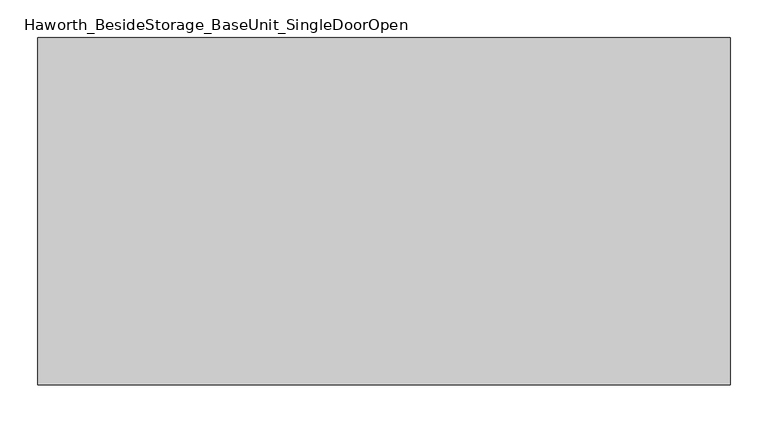
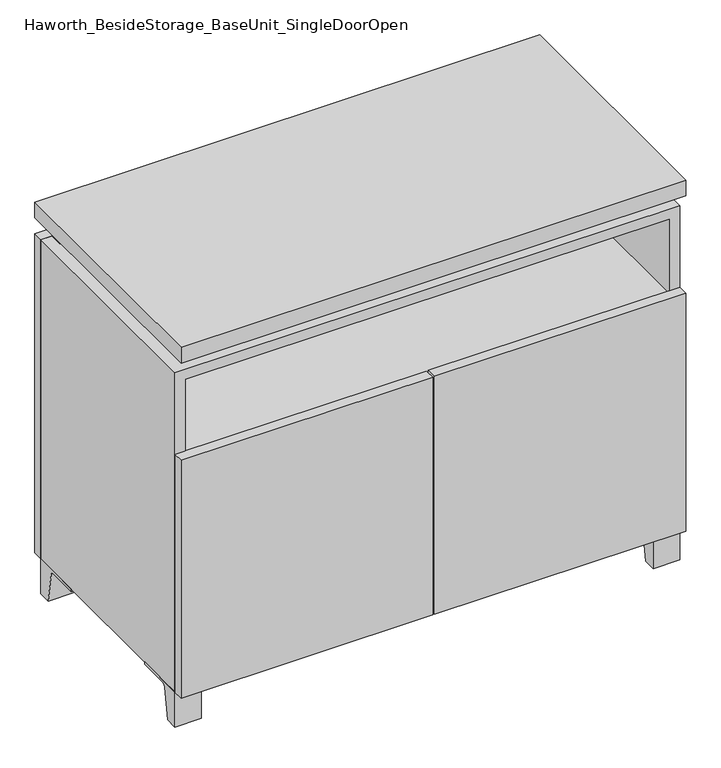
"""IFC4 building model written with IfcOpenShell, lengths in millimetres: furniture geometry, Haworth_BesideStorage_BaseUnit_SingleDoorOpen."""

from ifc_helpers import new_model, si_unit, point, frame, frame_2d, origin, place, context, project, spatial, polyline, circle_curve, trimmed, segment, composite_curve, outline, extrude, faceted_brep, source, transform, mapped, element, save


def haworth_besidestorage_baseunit_singledooropen_90ec385a(model_context):
    return source(origin(), model_context, "Body", "SolidModel", [
        extrude(outline(composite_curve([segment(polyline([(-123.2958469, 0.0), (-146.05, 0.0), (-146.05, 66.675), (-50.8, 66.675), (-50.8, 61.8963321), (-107.6005345, 61.8963321)]), True, "CONTINUOUS"), segment(trimmed(circle_curve(frame_2d((-107.6005345, 55.5463321)), 6.35), [point((-107.6005345, 61.8963321))], [point((-113.8641359, 56.5902656))], True, "CARTESIAN"), True, "CONTINUOUS"), segment(polyline([(-113.8641359, 56.5902656), (-123.2958469, 0.0)]), True, "CONTINUOUS")], self_intersect=False)), frame((408.0013906, 0.0, 0.0), z_axis=(1.0, 0.0, 0.0), x_axis=(0.0, 1.0, 0.0)), (0.0, 0.0, 1.0), 47.625),
        extrude(outline(composite_curve([segment(polyline([(250.2958469, 0.0), (240.8641359, 56.5902656)]), True, "CONTINUOUS"), segment(trimmed(circle_curve(frame_2d((234.6005345, 55.5463321)), 6.35), [point((240.8641359, 56.5902656))], [point((234.6005345, 61.8963321))], True, "CARTESIAN"), True, "CONTINUOUS"), segment(polyline([(234.6005345, 61.8963321), (177.8, 61.8963321), (177.8, 66.675), (273.05, 66.675), (273.05, 0.0), (250.2958469, 0.0)]), True, "CONTINUOUS")], self_intersect=False)), frame((408.0013906, 0.0, 0.0), z_axis=(1.0, 0.0, 0.0), x_axis=(0.0, 1.0, 0.0)), (0.0, 0.0, 1.0), 47.625),
        extrude(outline(composite_curve([segment(polyline([(-123.2958469, 0.0), (-146.05, 0.0), (-146.05, 66.675), (-50.8, 66.675), (-50.8, 61.8963321), (-107.6005345, 61.8963321)]), True, "CONTINUOUS"), segment(trimmed(circle_curve(frame_2d((-107.6005345, 55.5463321)), 6.35), [point((-107.6005345, 61.8963321))], [point((-113.8641359, 56.5902656))], True, "CARTESIAN"), True, "CONTINUOUS"), segment(polyline([(-113.8641359, 56.5902656), (-123.2958469, 0.0)]), True, "CONTINUOUS")], self_intersect=False)), frame((-455.5986094, 0.0, 0.0), z_axis=(1.0, 0.0, 0.0), x_axis=(0.0, 1.0, 0.0)), (0.0, 0.0, 1.0), 47.625),
        extrude(outline(composite_curve([segment(polyline([(250.2958469, 0.0), (240.8641359, 56.5902656)]), True, "CONTINUOUS"), segment(trimmed(circle_curve(frame_2d((234.6005345, 55.5463321)), 6.35), [point((240.8641359, 56.5902656))], [point((234.6005345, 61.8963321))], True, "CARTESIAN"), True, "CONTINUOUS"), segment(polyline([(234.6005345, 61.8963321), (177.8, 61.8963321), (177.8, 66.675), (273.05, 66.675), (273.05, 0.0), (250.2958469, 0.0)]), True, "CONTINUOUS")], self_intersect=False)), frame((-455.5986094, 0.0, 0.0), z_axis=(1.0, 0.0, 0.0), x_axis=(0.0, 1.0, 0.0)), (0.0, 0.0, 1.0), 47.625),
        faceted_brep([(-455.5986094, -146.05, 66.675), (455.6125, -146.05, 66.675), (455.6125, -146.05, 676.275), (-455.5986094, -146.05, 676.275), (-436.5486094, -146.05, 85.725), (-436.5486094, -146.05, 657.225), (436.5694453, -146.05, 657.225), (436.5486094, -146.05, 85.725), (-455.5986094, 273.05, 66.675), (-455.5986094, 273.05, 676.275), (-436.5486094, 273.05, 676.275), (-436.5486094, 273.05, 85.725), (436.5486094, 273.05, 85.725), (436.5486094, 273.05, 676.275), (455.6125, 273.05, 676.275), (455.6125, 273.05, 66.675), (436.5486094, 247.65, 676.275), (-436.5416641, 247.65, 676.275), (-436.5486094, 247.65, 657.225), (436.5486094, 247.65, 657.225)], [[[0, 1, 2, 3], [4, 5, 6, 7]], [[8, 9, 10, 11, 12, 13, 14, 15]], [[1, 0, 8, 15]], [[2, 1, 15, 14]], [[3, 2, 14, 13, 16, 17, 10, 9]], [[0, 3, 9, 8]], [[11, 10, 17, 18, 5, 4]], [[13, 12, 7, 6, 19, 16]], [[4, 7, 12, 11]], [[6, 5, 18, 19]], [[17, 16, 19, 18]]]),
        extrude(outline(polyline([(455.6263906, -165.1), (-455.5986094, -165.1), (-455.5986094, 292.1), (455.6263906, 292.1), (455.6263906, -165.1)])), frame((0.0, 0.0, 706.4375), z_axis=(0.0, 0.0, 1.0), x_axis=(1.0, 0.0, 0.0)), (0.0, 0.0, 1.0), 30.1625),
        faceted_brep([(7.9513906, -69.85, 706.4375), (7.9513906, -69.85, 676.275), (7.9513906, 53.975, 676.275), (7.9513906, 53.975, 706.4375), (7.9513906, 196.85, 676.275), (7.9513906, 196.85, 706.4375), (7.9513906, 73.025, 706.4375), (7.9513906, 73.025, 676.275), (-7.9236094, 196.85, 706.4375), (-7.9236094, 196.85, 676.275), (-7.9236094, 73.025, 676.275), (-7.9236094, 73.025, 706.4375), (-7.9236094, -69.85, 676.275), (-7.9236094, -69.85, 706.4375), (-7.9236094, 53.975, 706.4375), (-7.9236094, 53.975, 676.275), (-414.2958281, 73.025, 706.4375), (-414.3166641, 247.65, 706.4375), (-430.1916641, 247.65, 706.4375), (-430.1916641, -120.65, 706.4375), (-414.3166641, -120.65, 706.4375), (-414.3166641, 53.975, 706.4375), (414.3236094, 53.975, 706.4375), (414.3236094, -120.65, 706.4375), (430.1986094, -120.65, 706.4375), (430.1986094, 247.65, 706.4375), (414.3236094, 247.65, 706.4375), (414.3236094, 73.025, 706.4375), (-414.2958281, 53.975, 676.275), (-414.3166641, -120.65, 676.275), (-430.1916641, -120.65, 676.275), (-430.1916641, 247.65, 676.275), (-414.3166641, 247.65, 676.275), (-414.3166641, 73.025, 676.275), (414.3236094, 73.025, 676.275), (414.3236094, 247.65, 676.275), (430.1986094, 247.65, 676.275), (430.1986094, -120.65, 676.275), (414.3236094, -120.65, 676.275), (414.3236094, 53.975, 676.275)], [[[0, 1, 2, 3]], [[4, 5, 6, 7]], [[8, 9, 10, 11]], [[12, 13, 14, 15]], [[5, 8, 11, 16, 17, 18, 19, 20, 21, 14, 13, 0, 3, 22, 23, 24, 25, 26, 27, 6]], [[1, 12, 15, 28, 29, 30, 31, 32, 33, 10, 9, 4, 7, 34, 35, 36, 37, 38, 39, 2]], [[5, 4, 9, 8]], [[1, 0, 13, 12]], [[6, 27, 34, 7]], [[22, 3, 2, 39]], [[20, 29, 28, 21]], [[32, 17, 16, 33]], [[18, 31, 30, 19]], [[29, 20, 19, 30]], [[17, 32, 31, 18]], [[26, 35, 34, 27]], [[38, 23, 22, 39]], [[25, 24, 37, 36]], [[23, 38, 37, 24]], [[35, 26, 25, 36]], [[16, 11, 10, 33]], [[14, 21, 28, 15]]]),
        extrude(outline(polyline([(455.6263906, 273.05), (-455.5986094, 273.05), (-455.5986094, 292.1), (455.6263906, 292.1), (455.6263906, 273.05)])), frame((0.0, 0.0, 66.675), z_axis=(0.0, 0.0, 1.0), x_axis=(1.0, 0.0, 0.0)), (0.0, 0.0, 1.0), 609.6),
        extrude(outline(polyline([(-436.5416641, 203.2), (-436.5416641, 209.55), (436.5694453, 209.55), (436.5694453, 203.2), (-436.5416641, 203.2)])), frame((0.0, 0.0, 85.725), z_axis=(0.0, 0.0, 1.0), x_axis=(1.0, 0.0, 0.0)), (0.0, 0.0, 1.0), 571.5),
        extrude(outline(polyline([(1.6013906, -165.1), (1.6013906, -146.05), (455.6263906, -146.05), (455.6263906, -165.1), (1.6013906, -165.1)])), frame((0.0, 0.0, 66.675), z_axis=(0.0, 0.0, 1.0), x_axis=(1.0, 0.0, 0.0)), (0.0, 0.0, 1.0), 454.025),
        extrude(outline(polyline([(-1.5736094, -165.1), (-455.5986094, -165.1), (-455.5986094, -146.05), (-1.5736094, -146.05), (-1.5736094, -165.1)])), frame((0.0, 0.0, 66.675), z_axis=(0.0, 0.0, 1.0), x_axis=(1.0, 0.0, 0.0)), (0.0, 0.0, 1.0), 454.025),
        extrude(outline(polyline([(436.5486094, 203.2), (436.5486094, -146.05), (-436.5486094, -146.05), (-436.5486094, 203.2), (436.5486094, 203.2)])), frame((0.0, 0.0, 496.8875), z_axis=(0.0, 0.0, 1.0), x_axis=(1.0, 0.0, 0.0)), (0.0, 0.0, 1.0), 19.05),
    ])


if __name__ == "__main__":
    model = new_model("IFC4")
    model_context = context("Model", 3, world=origin())
    ifc_project = project(units=[si_unit("LENGTHUNIT", "METRE", prefix="MILLI")], contexts=[model_context])
    site = spatial("IfcSite", under=ifc_project)
    building = spatial("IfcBuilding", under=site)
    placement = place(None, origin())
    haworth_besidestorage_baseunit_singledooropen_shape = haworth_besidestorage_baseunit_singledooropen_90ec385a(model_context)
    element("IfcFurniture", 1, ObjectType="Haworth_BesideStorage_BaseUnit_SingleDoorOpen", at=placement, inside=building, context=model_context, shape_type="MappedRepresentation", body=[
        mapped(haworth_besidestorage_baseunit_singledooropen_shape, transform((0.0, 0.0, 0.0), x_axis=(1.0, 0.0, 0.0), y_axis=(0.0, 1.0, 0.0), z_axis=(0.0, 0.0, 1.0))),
    ])
    save(model, "model.ifc")
